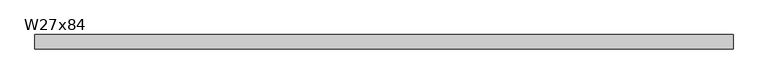
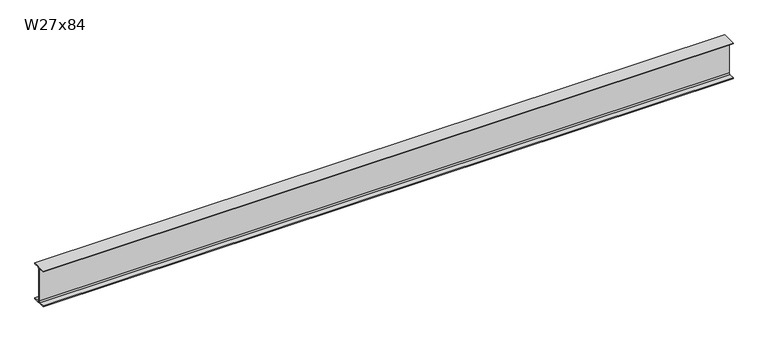
"""IFC4 building model written with IfcOpenShell, lengths in millimetres: beam geometry, W27x84."""

import ifcopenshell
import ifcopenshell.guid

model = None  # the IFC model being written
_history = None  # IfcOwnerHistory: only IFC2X3 demands one
_inside = {}  # id of a spatial element -> (the spatial element, [elements in it])
_under = {}  # id of a project, library or spatial element -> (it, [spatial elements below it])
_declared = {}  # id of a project -> (the project, [libraries it declares])
_typed = {}  # id of a type object -> (the type object, [elements of that type])
_made_of = {}  # id of a material, layer set ... -> (it, [elements and type objects made of it])


def new_model(schema):
    """Start an empty IFC model of exactly this schema.

    Asked for "IFC4X3", IfcOpenShell would pick the latest addendum, in which some entities
    have other attributes; the version numbers below select the first issue.
    IFC2X3 requires an IfcOwnerHistory on every rooted entity: one is made here for all.
    """
    global model, _history
    if schema == "IFC4X3":
        model = ifcopenshell.file(schema_version=(4, 3, 0, 0))
    else:
        model = ifcopenshell.file(schema=schema)
    _inside.clear()
    _under.clear()
    _declared.clear()
    _typed.clear()
    _made_of.clear()
    _history = None
    if model.schema == "IFC2X3":
        org = make("IfcOrganization", Name="unknown")
        user = make(
            "IfcPersonAndOrganization",
            ThePerson=make("IfcPerson", FamilyName="unknown"),
            TheOrganization=org,
        )
        app = make(
            "IfcApplication",
            ApplicationDeveloper=org,
            Version="unknown",
            ApplicationFullName="unknown",
            ApplicationIdentifier="unknown",
        )
        _history = make(
            "IfcOwnerHistory",
            OwningUser=user,
            OwningApplication=app,
            ChangeAction="ADDED",
            CreationDate=0,
        )
    return model


def make(cls, **values):
    """One entity of the class cls with the attributes given. An attribute that is None is left unset."""
    return model.create_entity(
        cls, **{name: value for name, value in values.items() if value is not None}
    )


def rooted(cls, **values):
    """An entity with a GlobalId (a new one), such as an element, a storey or a relation."""
    return make(cls, GlobalId=ifcopenshell.guid.new(), OwnerHistory=_history, **values)


def si_unit(unit_type, name, prefix=None):
    """IfcSIUnit, for example si_unit("LENGTHUNIT", "METRE", prefix="MILLI")."""
    return make("IfcSIUnit", UnitType=unit_type, Prefix=prefix, Name=name)


def assignment(units):
    """IfcUnitAssignment: the units of a project."""
    return None if units is None else make("IfcUnitAssignment", Units=units)


def point(xyz):
    """IfcCartesianPoint."""
    return None if xyz is None else make("IfcCartesianPoint", Coordinates=xyz)


def direction(xyz):
    """IfcDirection."""
    return None if xyz is None else make("IfcDirection", DirectionRatios=xyz)


def frame(location, z_axis=None, x_axis=None):
    """IfcAxis2Placement3D, a coordinate frame: its origin and axes. An axis left out is left unset."""
    return make(
        "IfcAxis2Placement3D",
        Location=point(location),
        Axis=direction(z_axis),
        RefDirection=direction(x_axis),
    )


def frame_2d(location, x_axis=None):
    """IfcAxis2Placement2D, a coordinate frame in the plane: its origin and x axis."""
    return make(
        "IfcAxis2Placement2D", Location=point(location), RefDirection=direction(x_axis)
    )


def origin():
    """The frame at (0, 0, 0) with its axes left unset."""
    return frame((0.0, 0.0, 0.0))


def place(relative_to, where):
    """IfcLocalPlacement: puts the frame where relative to a parent placement (None: the world)."""
    return make(
        "IfcLocalPlacement", PlacementRelTo=relative_to, RelativePlacement=where
    )


def context(
    kind, dimensions, precision=None, world=None, true_north=None, identifier=None
):
    """IfcGeometricRepresentationContext, for example the 3D "Model" context."""
    return make(
        "IfcGeometricRepresentationContext",
        ContextIdentifier=identifier,
        ContextType=kind,
        CoordinateSpaceDimension=dimensions,
        Precision=precision,
        WorldCoordinateSystem=world,
        TrueNorth=true_north,
    )


def project(units=None, contexts=None):
    """IfcProject with its units and contexts."""
    return rooted(
        "IfcProject",
        Name="project",
        RepresentationContexts=contexts,
        UnitsInContext=assignment(units),
    )


def spatial(cls, under=None, at=None, **own):
    """A site, building, storey or space (cls), placed at a placement, below another one or the project."""
    s = rooted(cls, ObjectPlacement=at, **own)
    if under is not None:
        _under.setdefault(under.id(), (under, []))[1].append(s)
    return s


def polyline(points):
    """IfcPolyline through the points."""
    return make("IfcPolyline", Points=[point(p) for p in points])


def circle_curve(where, radius):
    """IfcCircle in the frame where."""
    return make("IfcCircle", Position=where, Radius=radius)


def trimmed(basis, trim1, trim2, sense, master):
    """IfcTrimmedCurve: the piece of a basis curve between two trims."""
    return make(
        "IfcTrimmedCurve",
        BasisCurve=basis,
        Trim1=trim1,
        Trim2=trim2,
        SenseAgreement=sense,
        MasterRepresentation=master,
    )


def segment(curve, same_sense, transition):
    """IfcCompositeCurveSegment."""
    return make(
        "IfcCompositeCurveSegment",
        Transition=transition,
        SameSense=same_sense,
        ParentCurve=curve,
    )


def composite_curve(segments, self_intersect=None):
    """IfcCompositeCurve: segments joined end to end."""
    return make("IfcCompositeCurve", Segments=segments, SelfIntersect=self_intersect)


def outline(outer, holes=None, kind="AREA"):
    """IfcArbitraryClosedProfileDef: a profile drawn as a closed curve; with holes, ...WithVoids."""
    if holes is None:
        return make("IfcArbitraryClosedProfileDef", ProfileType=kind, OuterCurve=outer)
    return make(
        "IfcArbitraryProfileDefWithVoids",
        ProfileType=kind,
        OuterCurve=outer,
        InnerCurves=holes,
    )


def extrude(swept, where, along, depth):
    """IfcExtrudedAreaSolid: the profile swept, set in the frame where, extruded along a direction by depth."""
    return make(
        "IfcExtrudedAreaSolid",
        SweptArea=swept,
        Position=where,
        ExtrudedDirection=direction(along),
        Depth=depth,
    )


def shape(context_of_items, identifier, shape_type, items):
    """IfcShapeRepresentation: the items that make up one representation, for example the "Body"."""
    return make(
        "IfcShapeRepresentation",
        ContextOfItems=context_of_items,
        RepresentationIdentifier=identifier,
        RepresentationType=shape_type,
        Items=items,
    )


def source(mapping_origin, context_of_items, identifier, shape_type, items):
    """IfcRepresentationMap: a shape defined once, which mapped items show again and again."""
    return make(
        "IfcRepresentationMap",
        MappingOrigin=mapping_origin,
        MappedRepresentation=shape(context_of_items, identifier, shape_type, items),
    )


def transform(
    local_origin,
    x_axis=None,
    y_axis=None,
    z_axis=None,
    scale=None,
    scale2=None,
    scale3=None,
    uniform=True,
):
    """IfcCartesianTransformationOperator3D, or its non-uniform kind. x_axis, y_axis, z_axis: its Axis1, 2, 3."""
    if uniform:
        return make(
            "IfcCartesianTransformationOperator3D",
            Axis1=direction(x_axis),
            Axis2=direction(y_axis),
            LocalOrigin=point(local_origin),
            Scale=scale,
            Axis3=direction(z_axis),
        )
    return make(
        "IfcCartesianTransformationOperator3DnonUniform",
        Axis1=direction(x_axis),
        Axis2=direction(y_axis),
        LocalOrigin=point(local_origin),
        Scale=scale,
        Axis3=direction(z_axis),
        Scale2=scale2,
        Scale3=scale3,
    )


def mapped(mapping_source, mapping_target):
    """IfcMappedItem: shows the shape of a source again, moved by a transform."""
    return make(
        "IfcMappedItem", MappingSource=mapping_source, MappingTarget=mapping_target
    )


def made_of(thing, what):
    """Note that an element or type object is made of a material, layer set ...; save() writes the relation."""
    if what is not None:
        _made_of.setdefault(what.id(), (what, []))[1].append(thing)
    return thing


def element(
    cls,
    number,
    at=None,
    inside=None,
    cuts=None,
    type_object=None,
    material=None,
    context=None,
    identifier="Body",
    shape_type=None,
    held_by="IfcProductDefinitionShape",
    body=None,
    shapes=None,
    **own,
):
    """One element of the class cls, such as IfcWall. Its Tag is "e" and its number.

    at: its placement. inside: the storey or other place that contains it. cuts: it is an
    opening in that element (IfcRelVoidsElement). A single representation is given by context,
    identifier, shape_type and body (its items); several are given by shapes. held_by: the class
    of the entity that holds the representations. save() writes the other relations.
    """
    e = rooted(cls, Tag="e%d" % number, ObjectPlacement=at, **own)
    if body is not None:
        shapes = [shape(context, identifier, shape_type, body)]
    if shapes is not None:
        e.Representation = make(held_by, Representations=shapes)
    if inside is not None:
        _inside.setdefault(inside.id(), (inside, []))[1].append(e)
    if cuts is not None:
        rooted(
            "IfcRelVoidsElement", RelatingBuildingElement=cuts, RelatedOpeningElement=e
        )
    if type_object is not None:
        _typed.setdefault(type_object.id(), (type_object, []))[1].append(e)
    return made_of(e, material)


def aggregate(whole, parts):
    """IfcRelAggregates: a whole, such as a stair, and the parts it consists of."""
    return rooted("IfcRelAggregates", RelatingObject=whole, RelatedObjects=parts)


def save(model, path):
    """Write the relations noted so far, then the file.

    IfcRelAggregates (storeys below a building ...), IfcRelContainedInSpatialStructure (elements
    in a storey), IfcRelDefinesByType, IfcRelAssociatesMaterial and IfcRelDeclares: one each for
    every whole, place, type object, material and project.
    """
    for whole, parts in _under.values():
        aggregate(whole, parts)
    for where, things in _inside.values():
        rooted(
            "IfcRelContainedInSpatialStructure",
            RelatedElements=things,
            RelatingStructure=where,
        )
    for kind, things in _typed.values():
        rooted("IfcRelDefinesByType", RelatedObjects=things, RelatingType=kind)
    for what, things in _made_of.values():
        rooted("IfcRelAssociatesMaterial", RelatedObjects=things, RelatingMaterial=what)
    for by, libraries in _declared.values():
        rooted("IfcRelDeclares", RelatingContext=by, RelatedDefinitions=libraries)
    model.write(path)


def w27x84_b7e8670c(model_context):
    return source(origin(), model_context, "Body", "SweptSolid", [
        extrude(outline(composite_curve([segment(polyline([(127.0, -322.834), (127.0, -339.09), (-127.0, -339.09), (-127.0, -322.834), (-29.2735, -322.834)]), True, "CONTINUOUS"), segment(trimmed(circle_curve(frame_2d((-29.2735, -299.4025)), 23.4315), [point((-29.2735, -322.834))], [point((-5.842, -299.4025))], True, "CARTESIAN"), True, "CONTINUOUS"), segment(polyline([(-5.842, -299.4025), (-5.842, 299.4025)]), True, "CONTINUOUS"), segment(trimmed(circle_curve(frame_2d((-29.2735, 299.4025)), 23.4315), [point((-5.842, 299.4025))], [point((-29.2735, 322.834))], True, "CARTESIAN"), True, "CONTINUOUS"), segment(polyline([(-29.2735, 322.834), (-127.0, 322.834), (-127.0, 339.09), (127.0, 339.09), (127.0, 322.834), (29.2735, 322.834)]), True, "CONTINUOUS"), segment(trimmed(circle_curve(frame_2d((29.2735, 299.4025)), 23.4315), [point((29.2735, 322.834))], [point((5.842, 299.4025))], True, "CARTESIAN"), True, "CONTINUOUS"), segment(polyline([(5.842, 299.4025), (5.842, -299.4025)]), True, "CONTINUOUS"), segment(trimmed(circle_curve(frame_2d((29.2735, -299.4025)), 23.4315), [point((5.842, -299.4025))], [point((29.2735, -322.834))], True, "CARTESIAN"), True, "CONTINUOUS"), segment(polyline([(29.2735, -322.834), (127.0, -322.834)]), True, "CONTINUOUS")], self_intersect=False)), frame((-6208.0962319, 0.0, 0.0), z_axis=(1.0, 0.0, 0.0), x_axis=(0.0, 1.0, 0.0)), (0.0, 0.0, 1.0), 12416.1924638),
    ])


if __name__ == "__main__":
    model = new_model("IFC4")
    model_context = context("Model", 3, world=origin())
    ifc_project = project(units=[si_unit("LENGTHUNIT", "METRE", prefix="MILLI")], contexts=[model_context])
    site = spatial("IfcSite", under=ifc_project)
    building = spatial("IfcBuilding", under=site)
    placement = place(None, origin())
    w27x84_shape = w27x84_b7e8670c(model_context)
    element("IfcBeam", 1, ObjectType="W27x84", at=placement, inside=building, context=model_context, shape_type="MappedRepresentation", body=[
        mapped(w27x84_shape, transform((0.0, 0.0, 0.0), x_axis=(1.0, 0.0, 0.0), y_axis=(0.0, 1.0, 0.0), z_axis=(0.0, 0.0, 1.0))),
    ])
    save(model, "model.ifc")
